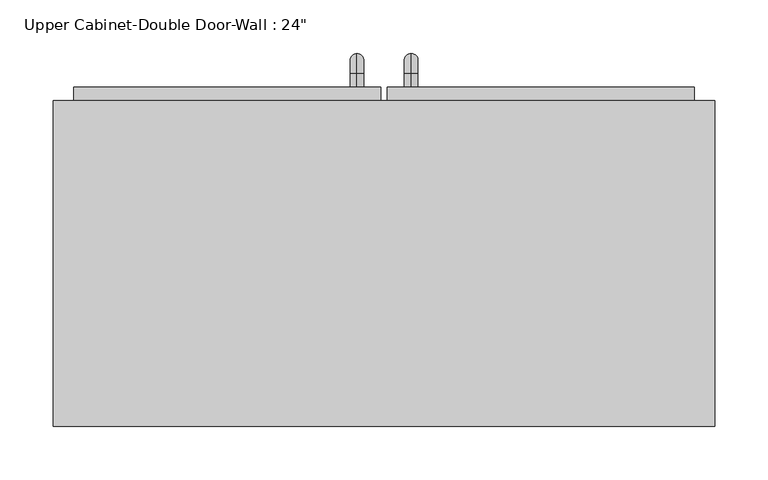
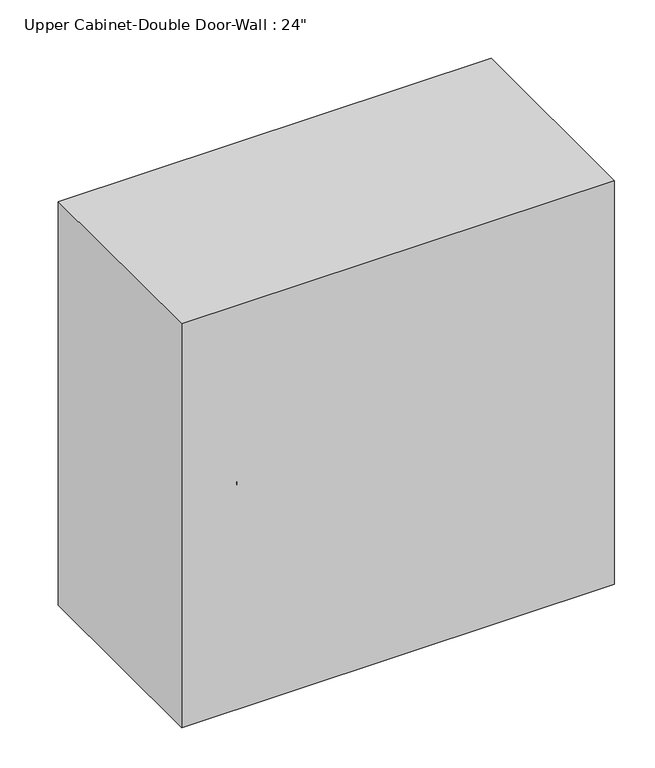
"""IFC4 building model written with IfcOpenShell, lengths in millimetres: furniture geometry."""

import ifcopenshell
import ifcopenshell.guid

model = None  # the IFC model being written
_history = None  # IfcOwnerHistory: only IFC2X3 demands one
_inside = {}  # id of a spatial element -> (the spatial element, [elements in it])
_under = {}  # id of a project, library or spatial element -> (it, [spatial elements below it])
_declared = {}  # id of a project -> (the project, [libraries it declares])
_typed = {}  # id of a type object -> (the type object, [elements of that type])
_made_of = {}  # id of a material, layer set ... -> (it, [elements and type objects made of it])


def new_model(schema):
    """Start an empty IFC model of exactly this schema.

    Asked for "IFC4X3", IfcOpenShell would pick the latest addendum, in which some entities
    have other attributes; the version numbers below select the first issue.
    IFC2X3 requires an IfcOwnerHistory on every rooted entity: one is made here for all.
    """
    global model, _history
    if schema == "IFC4X3":
        model = ifcopenshell.file(schema_version=(4, 3, 0, 0))
    else:
        model = ifcopenshell.file(schema=schema)
    _inside.clear()
    _under.clear()
    _declared.clear()
    _typed.clear()
    _made_of.clear()
    _history = None
    if model.schema == "IFC2X3":
        org = make("IfcOrganization", Name="unknown")
        user = make(
            "IfcPersonAndOrganization",
            ThePerson=make("IfcPerson", FamilyName="unknown"),
            TheOrganization=org,
        )
        app = make(
            "IfcApplication",
            ApplicationDeveloper=org,
            Version="unknown",
            ApplicationFullName="unknown",
            ApplicationIdentifier="unknown",
        )
        _history = make(
            "IfcOwnerHistory",
            OwningUser=user,
            OwningApplication=app,
            ChangeAction="ADDED",
            CreationDate=0,
        )
    return model


def make(cls, **values):
    """One entity of the class cls with the attributes given. An attribute that is None is left unset."""
    return model.create_entity(
        cls, **{name: value for name, value in values.items() if value is not None}
    )


def rooted(cls, **values):
    """An entity with a GlobalId (a new one), such as an element, a storey or a relation."""
    return make(cls, GlobalId=ifcopenshell.guid.new(), OwnerHistory=_history, **values)


def si_unit(unit_type, name, prefix=None):
    """IfcSIUnit, for example si_unit("LENGTHUNIT", "METRE", prefix="MILLI")."""
    return make("IfcSIUnit", UnitType=unit_type, Prefix=prefix, Name=name)


def assignment(units):
    """IfcUnitAssignment: the units of a project."""
    return None if units is None else make("IfcUnitAssignment", Units=units)


def point(xyz):
    """IfcCartesianPoint."""
    return None if xyz is None else make("IfcCartesianPoint", Coordinates=xyz)


def direction(xyz):
    """IfcDirection."""
    return None if xyz is None else make("IfcDirection", DirectionRatios=xyz)


def frame(location, z_axis=None, x_axis=None):
    """IfcAxis2Placement3D, a coordinate frame: its origin and axes. An axis left out is left unset."""
    return make(
        "IfcAxis2Placement3D",
        Location=point(location),
        Axis=direction(z_axis),
        RefDirection=direction(x_axis),
    )


def origin():
    """The frame at (0, 0, 0) with its axes left unset."""
    return frame((0.0, 0.0, 0.0))


def place(relative_to, where):
    """IfcLocalPlacement: puts the frame where relative to a parent placement (None: the world)."""
    return make(
        "IfcLocalPlacement", PlacementRelTo=relative_to, RelativePlacement=where
    )


def context(
    kind, dimensions, precision=None, world=None, true_north=None, identifier=None
):
    """IfcGeometricRepresentationContext, for example the 3D "Model" context."""
    return make(
        "IfcGeometricRepresentationContext",
        ContextIdentifier=identifier,
        ContextType=kind,
        CoordinateSpaceDimension=dimensions,
        Precision=precision,
        WorldCoordinateSystem=world,
        TrueNorth=true_north,
    )


def project(units=None, contexts=None):
    """IfcProject with its units and contexts."""
    return rooted(
        "IfcProject",
        Name="project",
        RepresentationContexts=contexts,
        UnitsInContext=assignment(units),
    )


def spatial(cls, under=None, at=None, **own):
    """A site, building, storey or space (cls), placed at a placement, below another one or the project."""
    s = rooted(cls, ObjectPlacement=at, **own)
    if under is not None:
        _under.setdefault(under.id(), (under, []))[1].append(s)
    return s


def polyline(points):
    """IfcPolyline through the points."""
    return make("IfcPolyline", Points=[point(p) for p in points])


def circle_curve(where, radius):
    """IfcCircle in the frame where."""
    return make("IfcCircle", Position=where, Radius=radius)


def ellipse_curve(where, semi_axis1, semi_axis2):
    """IfcEllipse in the frame where."""
    return make(
        "IfcEllipse", Position=where, SemiAxis1=semi_axis1, SemiAxis2=semi_axis2
    )


def trimmed(basis, trim1, trim2, sense, master):
    """IfcTrimmedCurve: the piece of a basis curve between two trims."""
    return make(
        "IfcTrimmedCurve",
        BasisCurve=basis,
        Trim1=trim1,
        Trim2=trim2,
        SenseAgreement=sense,
        MasterRepresentation=master,
    )


def outline(outer, holes=None, kind="AREA"):
    """IfcArbitraryClosedProfileDef: a profile drawn as a closed curve; with holes, ...WithVoids."""
    if holes is None:
        return make("IfcArbitraryClosedProfileDef", ProfileType=kind, OuterCurve=outer)
    return make(
        "IfcArbitraryProfileDefWithVoids",
        ProfileType=kind,
        OuterCurve=outer,
        InnerCurves=holes,
    )


def extrude(swept, where, along, depth):
    """IfcExtrudedAreaSolid: the profile swept, set in the frame where, extruded along a direction by depth."""
    return make(
        "IfcExtrudedAreaSolid",
        SweptArea=swept,
        Position=where,
        ExtrudedDirection=direction(along),
        Depth=depth,
    )


def faces_of(points, faces, orient=None, outer=None):
    """IfcFace entities. A face is a list of loops; a loop is a list of indices into points, from 0.

    orient and outer hold one flag for each loop. By default every Orientation is true, the
    first loop of a face is its IfcFaceOuterBound and the others are IfcFaceBound.
    """
    made = []
    for i, loops in enumerate(faces):
        bounds = []
        for j, loop in enumerate(loops):
            is_outer = j == 0 if outer is None else outer[i][j]
            bounds.append(
                make(
                    "IfcFaceOuterBound" if is_outer else "IfcFaceBound",
                    Bound=make("IfcPolyLoop", Polygon=[points[k] for k in loop]),
                    Orientation=True if orient is None else orient[i][j],
                )
            )
        made.append(make("IfcFace", Bounds=bounds))
    return made


def faceted_brep(points, faces, orient=None, outer=None, voids=None):
    """IfcFacetedBrep: a solid bounded by flat faces; with voids (closed shells), ...WithVoids."""
    shared = [point(p) for p in points]
    hull = make("IfcClosedShell", CfsFaces=faces_of(shared, faces, orient, outer))
    if voids is None:
        return make("IfcFacetedBrep", Outer=hull)
    return make(
        "IfcFacetedBrepWithVoids",
        Outer=hull,
        Voids=[
            make(cls, CfsFaces=faces_of(shared, fs, o, b)) for cls, fs, o, b in voids
        ],
    )


def shape(context_of_items, identifier, shape_type, items):
    """IfcShapeRepresentation: the items that make up one representation, for example the "Body"."""
    return make(
        "IfcShapeRepresentation",
        ContextOfItems=context_of_items,
        RepresentationIdentifier=identifier,
        RepresentationType=shape_type,
        Items=items,
    )


def source(mapping_origin, context_of_items, identifier, shape_type, items):
    """IfcRepresentationMap: a shape defined once, which mapped items show again and again."""
    return make(
        "IfcRepresentationMap",
        MappingOrigin=mapping_origin,
        MappedRepresentation=shape(context_of_items, identifier, shape_type, items),
    )


def transform(
    local_origin,
    x_axis=None,
    y_axis=None,
    z_axis=None,
    scale=None,
    scale2=None,
    scale3=None,
    uniform=True,
):
    """IfcCartesianTransformationOperator3D, or its non-uniform kind. x_axis, y_axis, z_axis: its Axis1, 2, 3."""
    if uniform:
        return make(
            "IfcCartesianTransformationOperator3D",
            Axis1=direction(x_axis),
            Axis2=direction(y_axis),
            LocalOrigin=point(local_origin),
            Scale=scale,
            Axis3=direction(z_axis),
        )
    return make(
        "IfcCartesianTransformationOperator3DnonUniform",
        Axis1=direction(x_axis),
        Axis2=direction(y_axis),
        LocalOrigin=point(local_origin),
        Scale=scale,
        Axis3=direction(z_axis),
        Scale2=scale2,
        Scale3=scale3,
    )


def mapped(mapping_source, mapping_target):
    """IfcMappedItem: shows the shape of a source again, moved by a transform."""
    return make(
        "IfcMappedItem", MappingSource=mapping_source, MappingTarget=mapping_target
    )


def made_of(thing, what):
    """Note that an element or type object is made of a material, layer set ...; save() writes the relation."""
    if what is not None:
        _made_of.setdefault(what.id(), (what, []))[1].append(thing)
    return thing


def element(
    cls,
    number,
    at=None,
    inside=None,
    cuts=None,
    type_object=None,
    material=None,
    context=None,
    identifier="Body",
    shape_type=None,
    held_by="IfcProductDefinitionShape",
    body=None,
    shapes=None,
    **own,
):
    """One element of the class cls, such as IfcWall. Its Tag is "e" and its number.

    at: its placement. inside: the storey or other place that contains it. cuts: it is an
    opening in that element (IfcRelVoidsElement). A single representation is given by context,
    identifier, shape_type and body (its items); several are given by shapes. held_by: the class
    of the entity that holds the representations. save() writes the other relations.
    """
    e = rooted(cls, Tag="e%d" % number, ObjectPlacement=at, **own)
    if body is not None:
        shapes = [shape(context, identifier, shape_type, body)]
    if shapes is not None:
        e.Representation = make(held_by, Representations=shapes)
    if inside is not None:
        _inside.setdefault(inside.id(), (inside, []))[1].append(e)
    if cuts is not None:
        rooted(
            "IfcRelVoidsElement", RelatingBuildingElement=cuts, RelatedOpeningElement=e
        )
    if type_object is not None:
        _typed.setdefault(type_object.id(), (type_object, []))[1].append(e)
    return made_of(e, material)


def aggregate(whole, parts):
    """IfcRelAggregates: a whole, such as a stair, and the parts it consists of."""
    return rooted("IfcRelAggregates", RelatingObject=whole, RelatedObjects=parts)


def save(model, path):
    """Write the relations noted so far, then the file.

    IfcRelAggregates (storeys below a building ...), IfcRelContainedInSpatialStructure (elements
    in a storey), IfcRelDefinesByType, IfcRelAssociatesMaterial and IfcRelDeclares: one each for
    every whole, place, type object, material and project.
    """
    for whole, parts in _under.values():
        aggregate(whole, parts)
    for where, things in _inside.values():
        rooted(
            "IfcRelContainedInSpatialStructure",
            RelatedElements=things,
            RelatingStructure=where,
        )
    for kind, things in _typed.values():
        rooted("IfcRelDefinesByType", RelatedObjects=things, RelatingType=kind)
    for what, things in _made_of.values():
        rooted("IfcRelAssociatesMaterial", RelatedObjects=things, RelatingMaterial=what)
    for by, libraries in _declared.values():
        rooted("IfcRelDeclares", RelatingContext=by, RelatedDefinitions=libraries)
    model.write(path)


def plane_surface(at):
    """IfcPlane: the flat surface through the origin of the frame at, square to its z axis."""
    return make("IfcPlane", Position=at)


def cylinder_surface(at, radius):
    """IfcCylindricalSurface: all points at the distance radius from the z axis of the frame at."""
    return make("IfcCylindricalSurface", Position=at, Radius=radius)


def revolved_surface(curve, axis_point, axis_direction):
    """IfcSurfaceOfRevolution: the curve turned about the line through axis_point along axis_direction."""
    return make(
        "IfcSurfaceOfRevolution",
        SweptCurve=make("IfcArbitraryOpenProfileDef", ProfileType="CURVE", Curve=curve),
        AxisPosition=make("IfcAxis1Placement", Location=point(axis_point), Axis=direction(axis_direction)),
    )


def advanced_brep(points, edges, surfaces, faces):
    """IfcAdvancedBrep: a solid bounded by faces that lie on surfaces and meet in shared edges.

    An edge is (start, end): straight between two places in points (the first is 0);
    or (start, end, curve); or (start, end, curve, False) where it runs against its curve.
    A face is (place in surfaces, loops), or (place, loops, False) where it looks against
    its surface's normal. A loop lists edges by number (the first is 1), with a minus sign
    where the edge is run from its end to its start. The first loop is the outer one.
    """
    corners = [point(p) for p in points]
    vertices = [make("IfcVertexPoint", VertexGeometry=c) for c in corners]
    made = []
    for start, end, *more in edges:
        made.append(
            make(
                "IfcEdgeCurve",
                EdgeStart=vertices[start],
                EdgeEnd=vertices[end],
                EdgeGeometry=more[0] if more else make("IfcPolyline", Points=[corners[start], corners[end]]),
                SameSense=more[1] if len(more) > 1 else True,
            )
        )
    hull = []
    for where, loops, *sense in faces:
        bounds = []
        for j, loop in enumerate(loops):
            ring = [make("IfcOrientedEdge", EdgeElement=made[abs(k) - 1], Orientation=k > 0) for k in loop]
            bounds.append(
                make(
                    "IfcFaceOuterBound" if j == 0 else "IfcFaceBound",
                    Bound=make("IfcEdgeLoop", EdgeList=ring),
                    Orientation=True,
                )
            )
        hull.append(make("IfcAdvancedFace", Bounds=bounds, FaceSurface=surfaces[where], SameSense=sense[0] if sense else True))
    return make("IfcAdvancedBrep", Outer=make("IfcClosedShell", CfsFaces=hull))


def furniture_e4c646f4(model_context):
    return source(origin(), model_context, "Body", "SolidModel", [
        faceted_brep([(-279.4239886, 101.6, 2133.6), (-279.4239886, 101.6, 1524.0), (338.9663141, 101.6, 1524.0), (338.9663141, 101.6, 2133.6), (-279.4239886, 406.4, 2133.6), (338.9663141, 406.4, 2133.6), (338.9663141, 406.4, 1524.0), (-279.4239886, 406.4, 1524.0), (-260.3739886, 406.4, 2114.55), (-260.3739886, 406.4, 1543.05), (319.9163141, 406.4, 1543.05), (319.9163141, 406.4, 2114.55), (319.9163141, 120.65, 2114.55), (-260.3739886, 120.65, 2114.55), (319.9163141, 120.65, 1543.05), (-260.3739886, 120.65, 1543.05)], [[[0, 1, 2, 3]], [[4, 5, 6, 7], [8, 9, 10, 11]], [[1, 0, 4, 7]], [[2, 1, 7, 6]], [[3, 2, 6, 5]], [[0, 3, 5, 4]], [[8, 11, 12, 13]], [[11, 10, 14, 12]], [[10, 9, 15, 14]], [[9, 8, 13, 15]], [[13, 12, 14, 15]]]),
        advanced_brep(
        [(55.1711628, 419.1, 1670.05), (55.1711628, 419.1, 1682.75), (55.1711628, 431.8, 1670.05), (55.1711628, 431.8, 1682.75), (55.1711628, 450.85, 1663.7), (55.1711628, 438.15, 1663.7), (55.1711628, 438.15, 1587.5), (55.1711628, 450.85, 1587.5), (55.1711628, 431.8, 1568.45), (55.1711628, 431.8, 1581.15), (55.1711628, 419.1, 1581.15), (55.1711628, 419.1, 1568.45)],
        [
            (0, 1, circle_curve(frame((55.1711628, 419.1, 1676.4), z_axis=(0.0, -1.0, 0.0), x_axis=(0.0, 0.0, -1.0)), 6.35)),
            (1, 0, circle_curve(frame((55.1711628, 419.1, 1676.4), z_axis=(0.0, -1.0, 0.0), x_axis=(0.0, 0.0, -1.0)), 6.35)),
            (0, 2),
            (2, 3, circle_curve(frame((55.1711628, 431.8, 1676.4), z_axis=(0.0, -1.0, 0.0), x_axis=(0.0, 0.0, -1.0)), 6.35)),
            (3, 1),
            (3, 2, circle_curve(frame((55.1711628, 431.8, 1676.4), z_axis=(0.0, -1.0, 0.0), x_axis=(0.0, 0.0, -1.0)), 6.35)),
            (4, 3, circle_curve(frame((55.1711628, 431.8, 1663.7), z_axis=(1.0, 0.0, 0.0), x_axis=(0.0, 0.0, 1.0)), 19.05)),
            (2, 5, circle_curve(frame((55.1711628, 431.8, 1663.7), z_axis=(-1.0, 0.0, 0.0), x_axis=(0.0, 0.0, 1.0)), 6.35)),
            (5, 4, circle_curve(frame((55.1711628, 444.5, 1663.7), z_axis=(0.0, 0.0, 1.0), x_axis=(0.0, -1.0, 0.0)), 6.35)),
            (4, 5, circle_curve(frame((55.1711628, 444.5, 1663.7), z_axis=(0.0, 0.0, 1.0), x_axis=(0.0, -1.0, 0.0)), 6.35)),
            (5, 6),
            (6, 7, circle_curve(frame((55.1711628, 444.5, 1587.5), z_axis=(0.0, 0.0, 1.0), x_axis=(0.0, -1.0, 0.0)), 6.35)),
            (7, 4),
            (7, 6, circle_curve(frame((55.1711628, 444.5, 1587.5), z_axis=(0.0, 0.0, 1.0), x_axis=(0.0, -1.0, 0.0)), 6.35)),
            (8, 7, circle_curve(frame((55.1711628, 431.8, 1587.5), z_axis=(1.0, 0.0, 0.0), x_axis=(0.0, 1.0, 0.0)), 19.05)),
            (6, 9, circle_curve(frame((55.1711628, 431.8, 1587.5), z_axis=(-1.0, 0.0, 0.0), x_axis=(0.0, 1.0, 0.0)), 6.35)),
            (9, 8, circle_curve(frame((55.1711628, 431.8, 1574.8), z_axis=(0.0, 1.0, 0.0), x_axis=(0.0, 0.0, 1.0)), 6.35)),
            (8, 9, circle_curve(frame((55.1711628, 431.8, 1574.8), z_axis=(0.0, 1.0, 0.0), x_axis=(0.0, 0.0, 1.0)), 6.35)),
            (10, 11, circle_curve(frame((55.1711628, 419.1, 1574.8), z_axis=(0.0, -1.0, 0.0), x_axis=(0.0, 0.0, 1.0)), 6.35)),
            (11, 10, circle_curve(frame((55.1711628, 419.1, 1574.8), z_axis=(0.0, -1.0, 0.0), x_axis=(0.0, 0.0, 1.0)), 6.35)),
            (9, 10),
            (11, 8),
        ],
        [
            plane_surface(frame((48.8211628, 419.1, 1676.4), z_axis=(0.0, -1.0, 0.0), x_axis=(0.0, 0.0, 1.0))),
            cylinder_surface(frame((55.1711628, 419.1, 1676.4), z_axis=(0.0, -1.0, 0.0), x_axis=(0.0, 0.0, -1.0)), 6.35),
            revolved_surface(trimmed(ellipse_curve(frame((55.1711628, 431.8, 1676.4), z_axis=(0.0, -1.0, 0.0), x_axis=(0.0, 0.0, -1.0)), 6.35, 6.35), [point((55.1711628, 431.8, 1670.05))], [point((55.1711628, 431.8, 1682.75))], True, "CARTESIAN"), (55.1711628, 431.8, 1663.7), (-1.0, 0.0, 0.0)),
            revolved_surface(trimmed(ellipse_curve(frame((55.1711628, 431.8, 1676.4), z_axis=(0.0, -1.0, 0.0), x_axis=(0.0, 0.0, -1.0)), 6.35, 6.35), [point((55.1711628, 431.8, 1682.75))], [point((55.1711628, 431.8, 1670.05))], True, "CARTESIAN"), (55.1711628, 431.8, 1663.7), (-1.0, 0.0, 0.0)),
            cylinder_surface(frame((55.1711628, 444.5, 1663.7), z_axis=(0.0, 0.0, 1.0), x_axis=(0.0, -1.0, 0.0)), 6.35),
            revolved_surface(trimmed(ellipse_curve(frame((55.1711628, 444.5, 1587.5), z_axis=(0.0, 0.0, 1.0), x_axis=(0.0, -1.0, 0.0)), 6.35, 6.35), [point((55.1711628, 438.15, 1587.5))], [point((55.1711628, 450.85, 1587.5))], True, "CARTESIAN"), (55.1711628, 431.8, 1587.5), (-1.0, 0.0, 0.0)),
            revolved_surface(trimmed(ellipse_curve(frame((55.1711628, 444.5, 1587.5), z_axis=(0.0, 0.0, 1.0), x_axis=(0.0, -1.0, 0.0)), 6.35, 6.35), [point((55.1711628, 450.85, 1587.5))], [point((55.1711628, 438.15, 1587.5))], True, "CARTESIAN"), (55.1711628, 431.8, 1587.5), (-1.0, 0.0, 0.0)),
            plane_surface(frame((48.8211628, 419.1, 1574.8), z_axis=(0.0, -1.0, 0.0), x_axis=(0.0, 0.0, -1.0))),
            cylinder_surface(frame((55.1711628, 431.8, 1574.8), z_axis=(0.0, 1.0, 0.0), x_axis=(0.0, 0.0, 1.0)), 6.35),
        ],
        [
            (0, [[1, 2]]),
            (1, [[-1, 3, 4, 5]]),
            (1, [[-2, -5, 6, -3]]),
            (2, [[7, -4, 8, 9]]),
            (3, [[-8, -6, -7, 10]]),
            (4, [[-9, 11, 12, 13]]),
            (4, [[-10, -13, 14, -11]]),
            (5, [[15, -12, 16, 17]]),
            (6, [[-16, -14, -15, 18]]),
            (7, [[19, 20]]),
            (8, [[-17, 21, -20, 22]]),
            (8, [[-18, -22, -19, -21]]),
        ],
    ),
        advanced_brep(
        [(4.3711628, 419.1, 1670.05), (4.3711628, 419.1, 1682.75), (4.3711628, 431.8, 1670.05), (4.3711628, 431.8, 1682.75), (4.3711628, 450.85, 1663.7), (4.3711628, 438.15, 1663.7), (4.3711628, 438.15, 1587.5), (4.3711628, 450.85, 1587.5), (4.3711628, 431.8, 1568.45), (4.3711628, 431.8, 1581.15), (4.3711628, 419.1, 1581.15), (4.3711628, 419.1, 1568.45)],
        [
            (0, 1, circle_curve(frame((4.3711628, 419.1, 1676.4), z_axis=(0.0, -1.0, 0.0), x_axis=(0.0, 0.0, 1.0)), 6.35)),
            (1, 0, circle_curve(frame((4.3711628, 419.1, 1676.4), z_axis=(0.0, -1.0, 0.0), x_axis=(0.0, 0.0, 1.0)), 6.35)),
            (0, 2),
            (2, 3, circle_curve(frame((4.3711628, 431.8, 1676.4), z_axis=(0.0, -1.0, 0.0), x_axis=(0.0, 0.0, 1.0)), 6.35)),
            (3, 1),
            (3, 2, circle_curve(frame((4.3711628, 431.8, 1676.4), z_axis=(0.0, -1.0, 0.0), x_axis=(0.0, 0.0, 1.0)), 6.35)),
            (4, 3, circle_curve(frame((4.3711628, 431.8, 1663.7), z_axis=(1.0, 0.0, 0.0), x_axis=(0.0, 0.0, 1.0)), 19.05)),
            (2, 5, circle_curve(frame((4.3711628, 431.8, 1663.7), z_axis=(-1.0, 0.0, 0.0), x_axis=(0.0, 0.0, 1.0)), 6.35)),
            (5, 4, circle_curve(frame((4.3711628, 444.5, 1663.7), z_axis=(0.0, 0.0, 1.0), x_axis=(0.0, 1.0, 0.0)), 6.35)),
            (4, 5, circle_curve(frame((4.3711628, 444.5, 1663.7), z_axis=(0.0, 0.0, 1.0), x_axis=(0.0, 1.0, 0.0)), 6.35)),
            (5, 6),
            (6, 7, circle_curve(frame((4.3711628, 444.5, 1587.5), z_axis=(0.0, 0.0, 1.0), x_axis=(0.0, 1.0, 0.0)), 6.35)),
            (7, 4),
            (7, 6, circle_curve(frame((4.3711628, 444.5, 1587.5), z_axis=(0.0, 0.0, 1.0), x_axis=(0.0, 1.0, 0.0)), 6.35)),
            (8, 7, circle_curve(frame((4.3711628, 431.8, 1587.5), z_axis=(1.0, 0.0, 0.0), x_axis=(0.0, 1.0, 0.0)), 19.05)),
            (6, 9, circle_curve(frame((4.3711628, 431.8, 1587.5), z_axis=(-1.0, 0.0, 0.0), x_axis=(0.0, 1.0, 0.0)), 6.35)),
            (9, 8, circle_curve(frame((4.3711628, 431.8, 1574.8), z_axis=(0.0, 1.0, 0.0), x_axis=(0.0, 0.0, -1.0)), 6.35)),
            (8, 9, circle_curve(frame((4.3711628, 431.8, 1574.8), z_axis=(0.0, 1.0, 0.0), x_axis=(0.0, 0.0, -1.0)), 6.35)),
            (10, 11, circle_curve(frame((4.3711628, 419.1, 1574.8), z_axis=(0.0, -1.0, 0.0), x_axis=(0.0, 0.0, -1.0)), 6.35)),
            (11, 10, circle_curve(frame((4.3711628, 419.1, 1574.8), z_axis=(0.0, -1.0, 0.0), x_axis=(0.0, 0.0, -1.0)), 6.35)),
            (9, 10),
            (11, 8),
        ],
        [
            plane_surface(frame((-1.9788372, 419.1, 1676.4), z_axis=(0.0, -1.0, 0.0), x_axis=(0.0, 0.0, 1.0))),
            cylinder_surface(frame((4.3711628, 419.1, 1676.4), z_axis=(0.0, -1.0, 0.0), x_axis=(0.0, 0.0, 1.0)), 6.35),
            revolved_surface(trimmed(ellipse_curve(frame((4.3711628, 431.8, 1676.4), z_axis=(0.0, -1.0, 0.0), x_axis=(0.0, 0.0, 1.0)), 6.35, 6.35), [point((4.3711628, 431.8, 1670.05))], [point((4.3711628, 431.8, 1682.75))], True, "CARTESIAN"), (4.3711628, 431.8, 1663.7), (-1.0, 0.0, 0.0)),
            revolved_surface(trimmed(ellipse_curve(frame((4.3711628, 431.8, 1676.4), z_axis=(0.0, -1.0, 0.0), x_axis=(0.0, 0.0, 1.0)), 6.35, 6.35), [point((4.3711628, 431.8, 1682.75))], [point((4.3711628, 431.8, 1670.05))], True, "CARTESIAN"), (4.3711628, 431.8, 1663.7), (-1.0, 0.0, 0.0)),
            cylinder_surface(frame((4.3711628, 444.5, 1663.7), z_axis=(0.0, 0.0, 1.0), x_axis=(0.0, 1.0, 0.0)), 6.35),
            revolved_surface(trimmed(ellipse_curve(frame((4.3711628, 444.5, 1587.5), z_axis=(0.0, 0.0, 1.0), x_axis=(0.0, 1.0, 0.0)), 6.35, 6.35), [point((4.3711628, 438.15, 1587.5))], [point((4.3711628, 450.85, 1587.5))], True, "CARTESIAN"), (4.3711628, 431.8, 1587.5), (-1.0, 0.0, 0.0)),
            revolved_surface(trimmed(ellipse_curve(frame((4.3711628, 444.5, 1587.5), z_axis=(0.0, 0.0, 1.0), x_axis=(0.0, 1.0, 0.0)), 6.35, 6.35), [point((4.3711628, 450.85, 1587.5))], [point((4.3711628, 438.15, 1587.5))], True, "CARTESIAN"), (4.3711628, 431.8, 1587.5), (-1.0, 0.0, 0.0)),
            plane_surface(frame((-1.9788372, 419.1, 1574.8), z_axis=(0.0, -1.0, 0.0), x_axis=(0.0, 0.0, -1.0))),
            cylinder_surface(frame((4.3711628, 431.8, 1574.8), z_axis=(0.0, 1.0, 0.0), x_axis=(0.0, 0.0, -1.0)), 6.35),
        ],
        [
            (0, [[1, 2]]),
            (1, [[-1, 3, 4, 5]]),
            (1, [[-2, -5, 6, -3]]),
            (2, [[7, -4, 8, 9]]),
            (3, [[-8, -6, -7, 10]]),
            (4, [[-9, 11, 12, 13]]),
            (4, [[-10, -13, 14, -11]]),
            (5, [[15, -12, 16, 17]]),
            (6, [[-16, -14, -15, 18]]),
            (7, [[19, 20]]),
            (8, [[-17, 21, -20, 22]]),
            (8, [[-18, -22, -19, -21]]),
        ],
    ),
        extrude(outline(polyline([(32.9461628, 419.1), (319.9163141, 419.1), (319.9163141, 387.35), (32.9461628, 387.35), (32.9461628, 419.1)])), frame((0.0, 0.0, 1543.05), z_axis=(0.0, 0.0, 1.0), x_axis=(1.0, 0.0, 0.0)), (0.0, 0.0, 1.0), 571.5),
        extrude(outline(polyline([(-260.3739886, 419.1), (26.5961628, 419.1), (26.5961628, 387.35), (-260.3739886, 387.35), (-260.3739886, 419.1)])), frame((0.0, 0.0, 1543.05), z_axis=(0.0, 0.0, 1.0), x_axis=(1.0, 0.0, 0.0)), (0.0, 0.0, 1.0), 571.5),
    ])


if __name__ == "__main__":
    model = new_model("IFC4")
    model_context = context("Model", 3, world=origin())
    ifc_project = project(units=[si_unit("LENGTHUNIT", "METRE", prefix="MILLI")], contexts=[model_context])
    site = spatial("IfcSite", under=ifc_project)
    building = spatial("IfcBuilding", under=site)
    placement = place(None, origin())
    furniture_shape = furniture_e4c646f4(model_context)
    element("IfcFurniture", 1, ObjectType="Upper Cabinet-Double Door-Wall : 24\"", at=placement, inside=building, context=model_context, shape_type="MappedRepresentation", body=[
        mapped(furniture_shape, transform((0.0, 0.0, 0.0), x_axis=(1.0, 0.0, 0.0), y_axis=(0.0, 1.0, 0.0), z_axis=(0.0, 0.0, 1.0))),
    ])
    save(model, "model.ifc")
